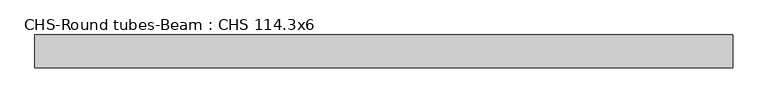
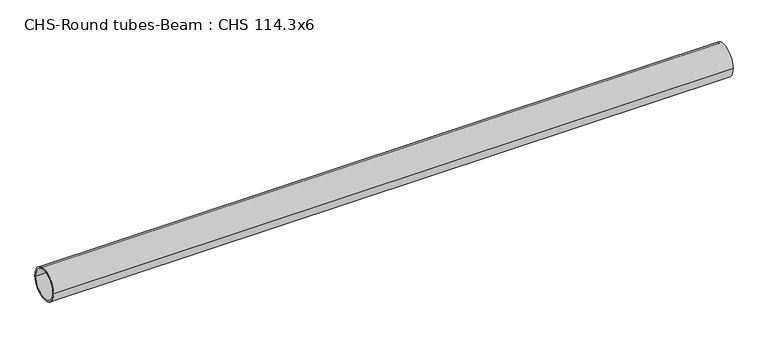
"""IFC4 building model written with IfcOpenShell, lengths in millimetres: beam geometry, CHS-Round tubes-Beam : CHS 114.3x6."""

from ifc_helpers import new_model, si_unit, point, frame, origin, origin_2d, place, context, project, spatial, circle_curve, trimmed, segment, composite_curve, outline, extrude, source, transform, mapped, element, save


def chs_round_tubes_beam_chs_114_3x6_6655f4f0(model_context):
    return source(origin(), model_context, "Body", "SweptSolid", [
        extrude(outline(composite_curve([segment(trimmed(circle_curve(origin_2d(), 57.15), [point((57.15, 0.0))], [point((-57.15, 0.0))], False, "CARTESIAN"), True, "CONTINUOUS"), segment(trimmed(circle_curve(origin_2d(), 57.15), [point((-57.15, 0.0))], [point((57.15, 0.0))], False, "CARTESIAN"), True, "CONTINUOUS")], self_intersect=False), holes=[composite_curve([segment(trimmed(circle_curve(origin_2d(), 51.15), [point((51.15, 0.0))], [point((-51.15, 0.0))], True, "CARTESIAN"), True, "CONTINUOUS"), segment(trimmed(circle_curve(origin_2d(), 51.15), [point((-51.15, 0.0))], [point((51.15, 0.0))], True, "CARTESIAN"), True, "CONTINUOUS")], self_intersect=False)]), frame((-1181.5527278, 0.0, 0.0), z_axis=(1.0, 0.0, 0.0), x_axis=(0.0, 1.0, 0.0)), (0.0, 0.0, 1.0), 2421.6126016),
    ])


if __name__ == "__main__":
    model = new_model("IFC4")
    model_context = context("Model", 3, world=origin())
    ifc_project = project(units=[si_unit("LENGTHUNIT", "METRE", prefix="MILLI")], contexts=[model_context])
    site = spatial("IfcSite", under=ifc_project)
    building = spatial("IfcBuilding", under=site)
    placement = place(None, origin())
    chs_round_tubes_beam_chs_114_3x6_shape = chs_round_tubes_beam_chs_114_3x6_6655f4f0(model_context)
    element("IfcBeam", 1, ObjectType="CHS-Round tubes-Beam : CHS 114.3x6", at=placement, inside=building, context=model_context, shape_type="MappedRepresentation", body=[
        mapped(chs_round_tubes_beam_chs_114_3x6_shape, transform((0.0, 0.0, 0.0), x_axis=(1.0, 0.0, 0.0), y_axis=(0.0, 1.0, 0.0), z_axis=(0.0, 0.0, 1.0))),
    ])
    save(model, "model.ifc")
